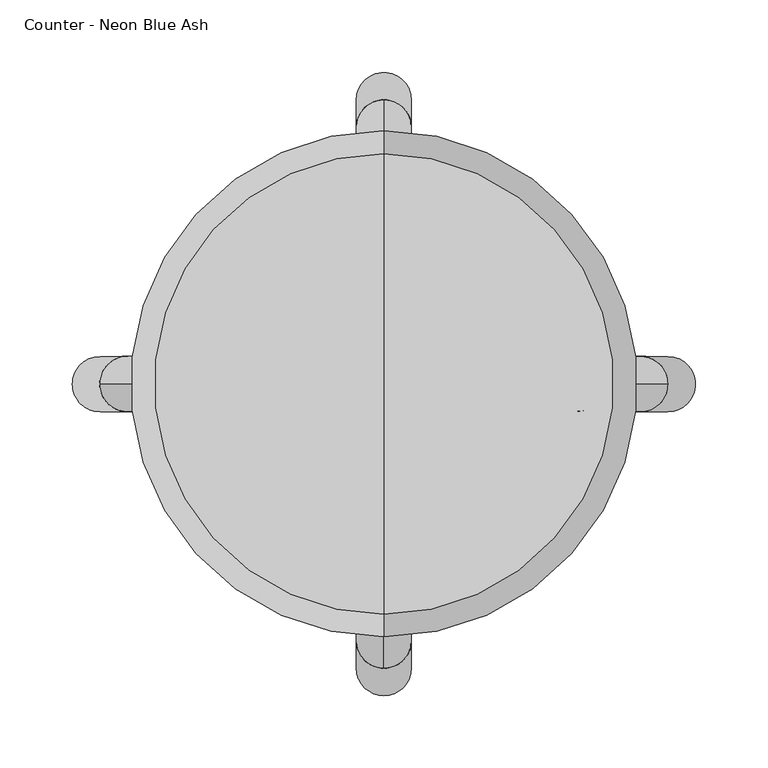
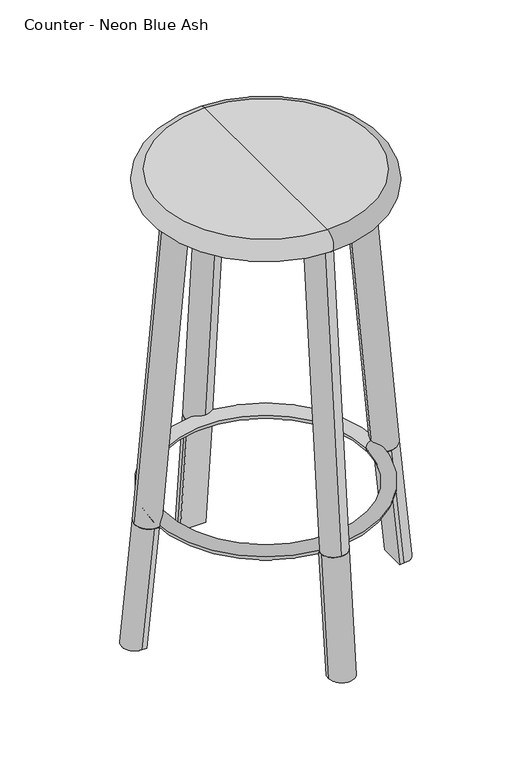
"""IFC4 building model written with IfcOpenShell, lengths in millimetres: furniture geometry, Counter - Neon Blue Ash."""

from ifc_helpers import new_model, si_unit, point, frame, origin, origin_2d, place, context, project, spatial, circle_curve, ellipse_curve, trimmed, segment, composite_curve, outline, extrude, source, transform, mapped, element, save
from ifc_brep_helpers import plane_surface, cylinder_surface, revolved_surface, advanced_brep


def counter_neon_blue_ash_bbe4395d(model_context):
    return source(origin(), model_context, "Body", "SolidModel", [
        advanced_brep(
        [(188.7626194, -19.05, 0.0), (188.7626194, 19.05, 0.0), (196.1041238, 19.05, 0.0), (196.1041238, -19.05, 0.0), (170.145341, -19.05, 184.0523861), (177.4124899, -19.05, 184.7874732), (177.4124899, 19.05, 184.7874732), (170.145341, 19.05, 184.0523861)],
        [
            (0, 1),
            (1, 2),
            (2, 3, ellipse_curve(frame((196.1041238, 0.0, 0.0), z_axis=(0.0, 0.0, -1.0), x_axis=(-0.9999999999999999, 0.0, 0.0)), 19.1472093, 19.05)),
            (3, 0),
            (4, 5),
            (5, 6, circle_curve(frame((177.4124899, 0.0, 184.7874732), z_axis=(-0.10063851879280003, 0.0, 0.9949230565904036), x_axis=(0.9949230565904036, 0.0, 0.10063851879280003)), 19.05)),
            (6, 7),
            (7, 4),
            (7, 1),
            (0, 4),
            (6, 2),
            (5, 3),
        ],
        [
            plane_surface(frame((-304.8, -264.8319713, 0.0), z_axis=(0.0, 0.0, -1.0), x_axis=(1.0, 0.0, 0.0))),
            plane_surface(frame((166.1967401, 0.0, 183.652977), z_axis=(-0.10063851879280003, 0.0, 0.9949230565904036), x_axis=(0.0, -1.0, 0.0))),
            plane_surface(frame((170.145341, 19.05, 184.0523861), z_axis=(-0.9949230565904036, 0.0, -0.10063851879279997), x_axis=(0.10063851879279997, 0.0, -0.9949230565904036))),
            plane_surface(frame((177.4124899, 19.05, 184.7874732), z_axis=(0.0, 1.0000000000000002, 0.0), x_axis=(0.10063851879279997, 0.0, -0.9949230565904036))),
            cylinder_surface(frame((177.4124899, 0.0, 184.7874732), z_axis=(-0.10063851879280003, 0.0, 0.9949230565904036), x_axis=(0.9949230565904036, 0.0, 0.10063851879280003)), 19.05),
            plane_surface(frame((170.145341, -19.05, 184.0523861), z_axis=(0.0, -1.0000000000000002, 0.0), x_axis=(0.10063851879279997, 0.0, -0.9949230565904036))),
        ],
        [
            (0, [[1, 2, 3, 4]]),
            (1, [[5, 6, 7, 8]]),
            (2, [[-8, 9, -1, 10]]),
            (3, [[-7, 11, -2, -9]]),
            (4, [[-6, 12, -3, -11]]),
            (5, [[-5, -10, -4, -12]]),
        ],
    ),
        advanced_brep(
        [(-19.05, -188.7626194, 0.0), (19.05, -188.7626194, 0.0), (19.05, -196.1041238, 0.0), (-19.05, -196.1041238, 0.0), (-19.05, -170.145341, 184.0523861), (-19.05, -177.4124899, 184.7874732), (19.05, -177.4124899, 184.7874732), (19.05, -170.145341, 184.0523861)],
        [
            (0, 1),
            (1, 2),
            (2, 3, ellipse_curve(frame((0.0, -196.1041238, 0.0), z_axis=(0.0, 0.0, -1.0), x_axis=(0.0, 1.0, 0.0)), 19.1472093, 19.05)),
            (3, 0),
            (4, 5),
            (5, 6, circle_curve(frame((0.0, -177.4124899, 184.7874732), z_axis=(0.0, 0.10063851879280002, 0.9949230565904036), x_axis=(0.0, -0.9949230565904036, 0.10063851879280002)), 19.05)),
            (6, 7),
            (7, 4),
            (7, 1),
            (0, 4),
            (6, 2),
            (5, 3),
        ],
        [
            plane_surface(frame((-304.8, -264.8319713, 0.0), z_axis=(0.0, 0.0, -1.0), x_axis=(1.0, 0.0, 0.0))),
            plane_surface(frame((0.0, -166.1967401, 183.652977), z_axis=(0.0, 0.10063851879280002, 0.9949230565904036), x_axis=(-1.0, 0.0, 0.0))),
            plane_surface(frame((19.05, -170.145341, 184.0523861), z_axis=(0.0, 0.9949230565904036, -0.10063851879279997), x_axis=(0.0, -0.10063851879279997, -0.9949230565904036))),
            plane_surface(frame((19.05, -177.4124899, 184.7874732), z_axis=(1.0000000000000002, 0.0, 0.0), x_axis=(0.0, -0.10063851879279997, -0.9949230565904036))),
            cylinder_surface(frame((0.0, -177.4124899, 184.7874732), z_axis=(0.0, 0.10063851879280002, 0.9949230565904036), x_axis=(0.0, -0.9949230565904036, 0.10063851879280002)), 19.05),
            plane_surface(frame((-19.05, -170.145341, 184.0523861), z_axis=(-1.0000000000000002, 0.0, 0.0), x_axis=(0.0, -0.10063851879279997, -0.9949230565904036))),
        ],
        [
            (0, [[1, 2, 3, 4]]),
            (1, [[5, 6, 7, 8]]),
            (2, [[-8, 9, -1, 10]]),
            (3, [[-7, 11, -2, -9]]),
            (4, [[-6, 12, -3, -11]]),
            (5, [[-5, -10, -4, -12]]),
        ],
    ),
        advanced_brep(
        [(-188.7626194, 19.05, 0.0), (-188.7626194, -19.05, 0.0), (-196.1041238, -19.05, 0.0), (-196.1041238, 19.05, 0.0), (-170.145341, -19.05, 184.0523861), (-170.145341, 19.05, 184.0523861), (-177.4124899, 19.05, 184.7874732), (-177.4124899, -19.05, 184.7874732)],
        [
            (0, 1),
            (1, 2),
            (2, 3, ellipse_curve(frame((-196.1041238, 0.0, 0.0), z_axis=(0.0, 0.0, -1.0), x_axis=(1.0, 0.0, 0.0)), 19.1472093, 19.05)),
            (3, 0),
            (4, 5),
            (5, 6),
            (6, 7, circle_curve(frame((-177.4124899, 0.0, 184.7874732), z_axis=(0.10063851879282752, 0.0, 0.9949230565904007), x_axis=(0.9949230565904007, 0.0, -0.10063851879282752)), 19.05)),
            (7, 4),
            (4, 1),
            (0, 5),
            (3, 6),
            (2, 7),
        ],
        [
            plane_surface(frame((-304.8, -264.8319713, 0.0), z_axis=(0.0, 0.0, -1.0), x_axis=(1.0, 0.0, 0.0))),
            plane_surface(frame((-166.1967401, 0.0, 183.652977), z_axis=(0.10063851879282752, 0.0, 0.9949230565904007), x_axis=(0.0, -1.0, 0.0))),
            plane_surface(frame((-170.145341, -19.05, 184.0523861), z_axis=(0.9949230565904007, 0.0, -0.10063851879282747), x_axis=(-0.10063851879282747, 0.0, -0.9949230565904007))),
            plane_surface(frame((-170.145341, 19.05, 184.0523861), z_axis=(0.0, 1.0, 0.0), x_axis=(-0.10063851879282747, 0.0, -0.9949230565904007))),
            cylinder_surface(frame((-177.4124899, 0.0, 184.7874732), z_axis=(0.10063851879282752, 0.0, 0.9949230565904007), x_axis=(0.9949230565904007, 0.0, -0.10063851879282752)), 19.05),
            plane_surface(frame((-177.4124899, -19.05, 184.7874732), z_axis=(0.0, -1.0, 0.0), x_axis=(-0.10063851879282745, 0.0, -0.9949230565904007))),
        ],
        [
            (0, [[1, 2, 3, 4]]),
            (1, [[5, 6, 7, 8]]),
            (2, [[-5, 9, -1, 10]]),
            (3, [[-6, -10, -4, 11]]),
            (4, [[-7, -11, -3, 12]]),
            (5, [[-8, -12, -2, -9]]),
        ],
    ),
        advanced_brep(
        [(19.05, 188.7626194, 0.0), (-19.05, 188.7626194, 0.0), (-19.05, 196.1041238, 0.0), (19.05, 196.1041238, 0.0), (-19.05, 170.145341, 184.0523861), (19.05, 170.145341, 184.0523861), (19.05, 177.4124899, 184.7874732), (-19.05, 177.4124899, 184.7874732)],
        [
            (0, 1),
            (1, 2),
            (2, 3, ellipse_curve(frame((0.0, 196.1041238, 0.0), z_axis=(0.0, 0.0, -1.0), x_axis=(0.0, -1.0, 0.0)), 19.1472093, 19.05)),
            (3, 0),
            (4, 5),
            (5, 6),
            (6, 7, circle_curve(frame((0.0, 177.4124899, 184.7874732), z_axis=(0.0, -0.10063851879280002, 0.9949230565904036), x_axis=(0.0, -0.9949230565904036, -0.10063851879280002)), 19.05)),
            (7, 4),
            (4, 1),
            (0, 5),
            (3, 6),
            (2, 7),
        ],
        [
            plane_surface(frame((-304.8, -264.8319713, 0.0), z_axis=(0.0, 0.0, -1.0), x_axis=(1.0, 0.0, 0.0))),
            plane_surface(frame((0.0, 166.1967401, 183.652977), z_axis=(0.0, -0.10063851879280002, 0.9949230565904036), x_axis=(-1.0, 0.0, 0.0))),
            plane_surface(frame((-19.05, 170.145341, 184.0523861), z_axis=(0.0, -0.9949230565904036, -0.10063851879279997), x_axis=(0.0, 0.10063851879279997, -0.9949230565904036))),
            plane_surface(frame((19.05, 170.145341, 184.0523861), z_axis=(1.0000000000000002, 0.0, 0.0), x_axis=(0.0, 0.10063851879279997, -0.9949230565904036))),
            cylinder_surface(frame((0.0, 177.4124899, 184.7874732), z_axis=(0.0, -0.10063851879280002, 0.9949230565904036), x_axis=(0.0, -0.9949230565904036, -0.10063851879280002)), 19.05),
            plane_surface(frame((-19.05, 177.4124899, 184.7874732), z_axis=(-1.0000000000000002, 0.0, 0.0), x_axis=(0.0, 0.10063851879279997, -0.9949230565904036))),
        ],
        [
            (0, [[1, 2, 3, 4]]),
            (1, [[5, 6, 7, 8]]),
            (2, [[-5, 9, -1, 10]]),
            (3, [[-6, -10, -4, 11]]),
            (4, [[-7, -11, -3, 12]]),
            (5, [[-8, -12, -2, -9]]),
        ],
    ),
        extrude(outline(composite_curve([segment(trimmed(circle_curve(origin_2d(), 19.05), [point((0.0, -19.05))], [point((0.0, 19.05))], False, "CARTESIAN"), True, "CONTINUOUS"), segment(trimmed(circle_curve(origin_2d(), 19.05), [point((0.0, 19.05))], [point((0.0, -19.05))], False, "CARTESIAN"), True, "CONTINUOUS")], self_intersect=False)), frame((0.0, -177.4255915, 184.6685978), z_axis=(0.0, 0.09007972142676389, 0.9959345579844474), x_axis=(-1.0, 0.0, 0.0)), (0.0, 0.0, 1.0), 482.6),
        extrude(outline(composite_curve([segment(trimmed(circle_curve(origin_2d(), 19.05), [point((0.0, -19.05))], [point((0.0, 19.05))], False, "CARTESIAN"), True, "CONTINUOUS"), segment(trimmed(circle_curve(origin_2d(), 19.05), [point((0.0, 19.05))], [point((0.0, -19.05))], False, "CARTESIAN"), True, "CONTINUOUS")], self_intersect=False)), frame((0.0, 177.4255915, 184.6685978), z_axis=(0.0, -0.09007972142676389, 0.9959345579844474), x_axis=(-1.0, 0.0, 0.0)), (0.0, 0.0, 1.0), 482.6),
        extrude(outline(composite_curve([segment(trimmed(circle_curve(origin_2d(), 19.05), [point((0.0, -19.05))], [point((0.0, 19.05))], False, "CARTESIAN"), True, "CONTINUOUS"), segment(trimmed(circle_curve(origin_2d(), 19.05), [point((0.0, 19.05))], [point((0.0, -19.05))], False, "CARTESIAN"), True, "CONTINUOUS")], self_intersect=False)), frame((177.4255915, 0.0, 184.6685978), z_axis=(-0.09007972142676389, 0.0, 0.9959345579844474), x_axis=(0.0, -1.0, 0.0)), (0.0, 0.0, 1.0), 482.6),
        extrude(outline(composite_curve([segment(trimmed(circle_curve(origin_2d(), 19.05), [point((0.0, -19.05))], [point((0.0, 19.05))], False, "CARTESIAN"), True, "CONTINUOUS"), segment(trimmed(circle_curve(origin_2d(), 19.05), [point((0.0, 19.05))], [point((0.0, -19.05))], False, "CARTESIAN"), True, "CONTINUOUS")], self_intersect=False)), frame((-177.4255915, 0.0, 184.6685978), z_axis=(0.09007972142679144, 0.0, 0.995934557984445), x_axis=(0.0, -1.0, 0.0)), (0.0, 0.0, 1.0), 482.6),
        advanced_brep(
        [(149.6605193, 0.0, 185.6612571), (-149.6605193, 0.0, 185.6612571), (-169.7705717, 0.0, 185.6612571), (169.7705717, 0.0, 185.6612571)],
        [
            (0, 1, circle_curve(frame((0.0, 0.0, 185.6612571), z_axis=(0.0, 0.0, -1.0), x_axis=(-1.0, 0.0, 0.0)), 149.6605193)),
            (1, 2, circle_curve(frame((-159.7155455, 0.0, 185.6612571), z_axis=(0.0, -1.0, 0.0), x_axis=(1.0, 0.0, 0.0)), 10.0550262)),
            (2, 3, circle_curve(frame((0.0, 0.0, 185.6612571), z_axis=(0.0, 0.0, 1.0), x_axis=(-1.0, 0.0, 0.0)), 169.7705717)),
            (3, 0, circle_curve(frame((159.7155455, 0.0, 185.6612571), z_axis=(0.0, -1.0, 0.0), x_axis=(-1.0, 0.0, 0.0)), 10.0550262)),
            (2, 1, circle_curve(frame((-159.7155455, 0.0, 185.6612571), z_axis=(0.0, -1.0, 0.0), x_axis=(1.0, 0.0, 0.0)), 10.0550262)),
            (0, 3, circle_curve(frame((159.7155455, 0.0, 185.6612571), z_axis=(0.0, -1.0, 0.0), x_axis=(-1.0, 0.0, 0.0)), 10.0550262)),
            (1, 0, circle_curve(frame((0.0, 0.0, 185.6612571), z_axis=(0.0, 0.0, -1.0), x_axis=(1.0, 0.0, 0.0)), 149.6605193)),
            (3, 2, circle_curve(frame((0.0, 0.0, 185.6612571), z_axis=(0.0, 0.0, 1.0), x_axis=(1.0, 0.0, 0.0)), 169.7705717)),
        ],
        [
            revolved_surface(trimmed(ellipse_curve(frame((-159.7155455, 0.0, 185.6612571), z_axis=(0.0, 1.0, 0.0), x_axis=(1.0, 0.0, 0.0)), 10.0550262, 10.0550262), [point((-169.7705717, 0.0, 185.6612571))], [point((-149.6605193, 0.0, 185.6612571))], True, "CARTESIAN"), (0.0, 0.0, 0.0), (0.0, 0.0, 1.0)),
            revolved_surface(trimmed(ellipse_curve(frame((-159.7155455, 0.0, 185.6612571), z_axis=(0.0, 1.0, 0.0), x_axis=(1.0, 0.0, 0.0)), 10.0550262, 10.0550262), [point((-149.6605193, 0.0, 185.6612571))], [point((-169.7705717, 0.0, 185.6612571))], True, "CARTESIAN"), (0.0, 0.0, 0.0), (0.0, 0.0, 1.0)),
            revolved_surface(trimmed(ellipse_curve(frame((159.7155455, 0.0, 185.6612571), z_axis=(0.0, -1.0, 0.0), x_axis=(-1.0, 0.0, 0.0)), 10.0550262, 10.0550262), [point((169.7705717, 0.0, 185.6612571))], [point((149.6605193, 0.0, 185.6612571))], True, "CARTESIAN"), (0.0, 0.0, 0.0), (0.0, 0.0, 1.0)),
            revolved_surface(trimmed(ellipse_curve(frame((159.7155455, 0.0, 185.6612571), z_axis=(0.0, -1.0, 0.0), x_axis=(-1.0, 0.0, 0.0)), 10.0550262, 10.0550262), [point((149.6605193, 0.0, 185.6612571))], [point((169.7705717, 0.0, 185.6612571))], True, "CARTESIAN"), (0.0, 0.0, 0.0), (0.0, 0.0, 1.0)),
        ],
        [
            (0, [[1, 2, 3, 4]]),
            (1, [[-3, 5, -1, 6]]),
            (2, [[7, -4, 8, -2]]),
            (3, [[-8, -6, -7, -5]]),
        ],
    ),
        advanced_brep(
        [(0.0, -159.0207008, 647.7), (0.0, 159.0207008, 647.7), (0.0, 0.0, 647.7), (0.0, -159.0207008, 679.45), (0.0, 159.0207008, 679.45), (0.0, 0.0, 679.45)],
        [
            (0, 1, circle_curve(frame((0.0, 0.0, 647.7), z_axis=(0.0, 0.0, -1.0), x_axis=(0.0, 1.0, 0.0)), 159.0207008)),
            (1, 2),
            (2, 0),
            (1, 0, circle_curve(frame((0.0, 0.0, 647.7), z_axis=(0.0, 0.0, -1.0), x_axis=(0.0, 1.0, 0.0)), 159.0207008)),
            (3, 4, circle_curve(frame((0.0, 0.0, 679.45), z_axis=(0.0, 0.0, -1.0), x_axis=(0.0, 1.0, 0.0)), 159.0207008)),
            (4, 1, circle_curve(frame((0.0, 159.0207008, 663.575), z_axis=(-1.0, 0.0, 0.0), x_axis=(0.0, 1.0, 0.0)), 15.875)),
            (0, 3, circle_curve(frame((0.0, -159.0207008, 663.575), z_axis=(-1.0, 0.0, 0.0), x_axis=(0.0, -1.0, 0.0)), 15.875)),
            (4, 3, circle_curve(frame((0.0, 0.0, 679.45), z_axis=(0.0, 0.0, -1.0), x_axis=(0.0, 1.0, 0.0)), 159.0207008)),
            (5, 4),
            (3, 5),
        ],
        [
            plane_surface(frame((0.0, 0.0, 647.7), z_axis=(0.0, 0.0, -1.0), x_axis=(0.0, 1.0, 0.0))),
            revolved_surface(trimmed(ellipse_curve(frame((0.0, 159.0207008, 663.575), z_axis=(1.0, 0.0, 0.0), x_axis=(0.0, 1.0, 0.0)), 15.875, 15.875), [point((0.0, 159.0207008, 647.7))], [point((0.0, 159.0207008, 679.45))], True, "CARTESIAN"), (0.0, 0.0, 692.3924401), (0.0, 0.0, 1.0)),
            plane_surface(frame((0.0, 0.0, 679.45), z_axis=(0.0, 0.0, 1.0), x_axis=(0.0, 1.0, 0.0))),
        ],
        [
            (0, [[1, 2, 3]]),
            (0, [[4, -3, -2]]),
            (1, [[5, 6, -1, 7]]),
            (1, [[8, -7, -4, -6]]),
            (2, [[9, -5, 10]]),
            (2, [[-10, -8, -9]]),
        ],
    ),
    ])


if __name__ == "__main__":
    model = new_model("IFC4")
    model_context = context("Model", 3, world=origin())
    ifc_project = project(units=[si_unit("LENGTHUNIT", "METRE", prefix="MILLI")], contexts=[model_context])
    site = spatial("IfcSite", under=ifc_project)
    building = spatial("IfcBuilding", under=site)
    placement = place(None, origin())
    counter_neon_blue_ash_shape = counter_neon_blue_ash_bbe4395d(model_context)
    element("IfcFurniture", 1, ObjectType="Counter - Neon Blue Ash", at=placement, inside=building, context=model_context, shape_type="MappedRepresentation", body=[
        mapped(counter_neon_blue_ash_shape, transform((0.0, 0.0, 0.0), x_axis=(1.0, 0.0, 0.0), y_axis=(0.0, 1.0, 0.0), z_axis=(0.0, 0.0, 1.0))),
    ])
    save(model, "model.ifc")
